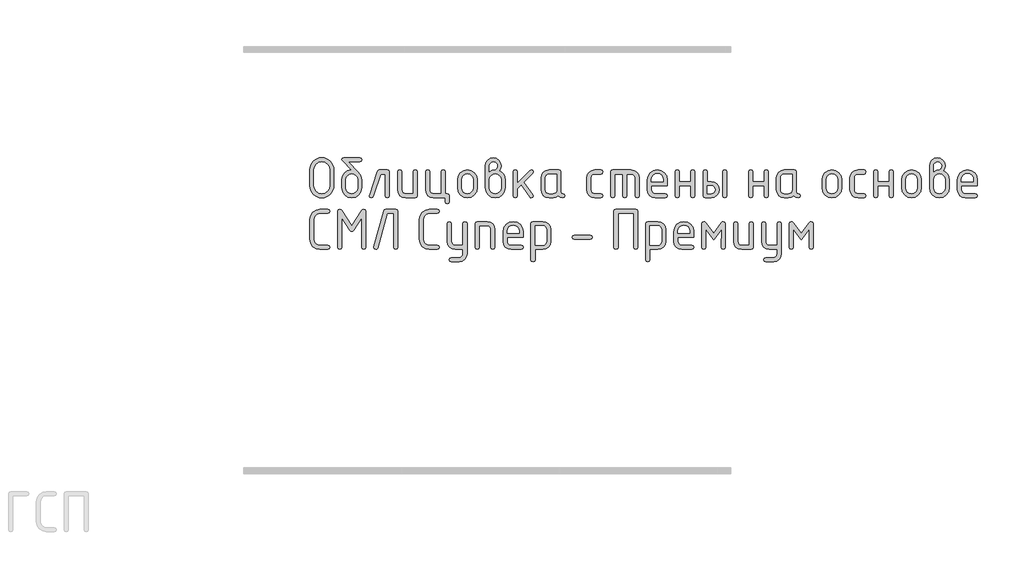
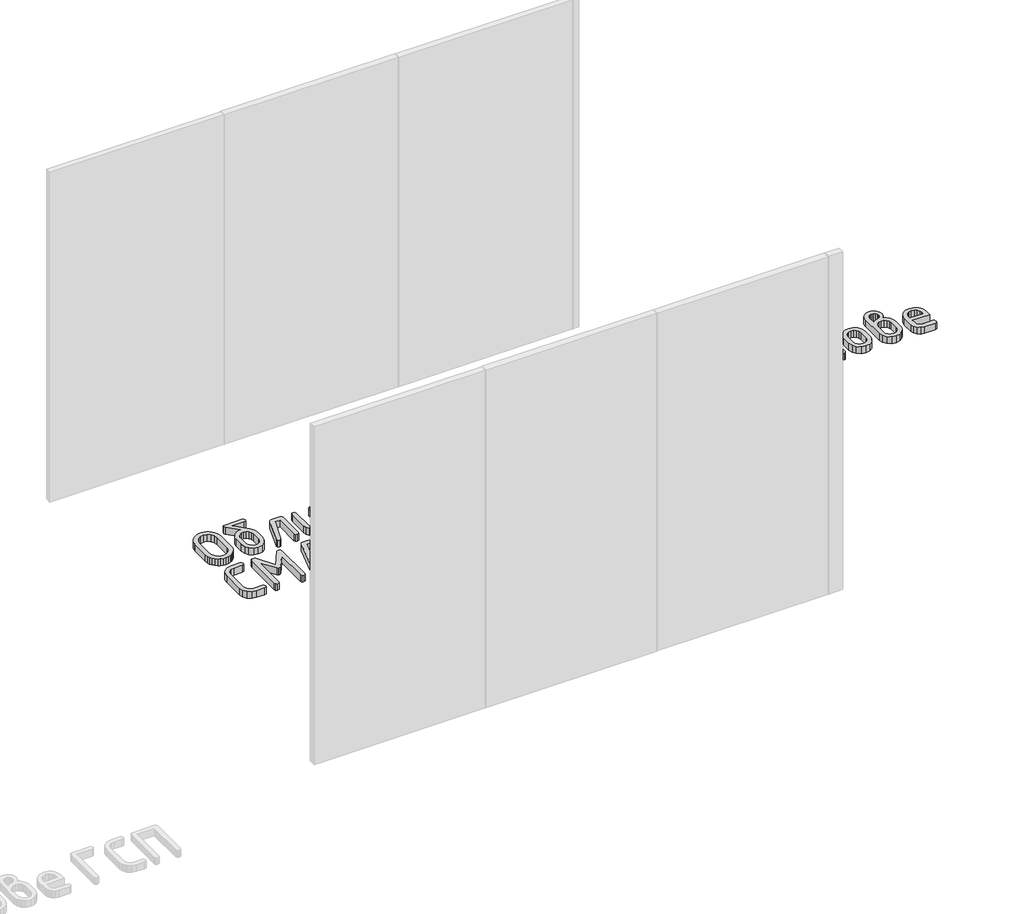
# One storey, part 28 of 33: 1 proxy.
"""IFC4 building model written with IfcOpenShell, lengths in millimetres."""

from ifc_helpers import new_model, si_unit, origin, origin_with_axes, place, context, project, spatial, polyline, outline, extrude, element, save

model = new_model("IFC4")

# Units and contexts
model_context = context("Model", 3, world=origin())
ifc_project = project(units=[si_unit("LENGTHUNIT", "METRE", prefix="MILLI")], contexts=[model_context])

# Site, building, storey
site = spatial("IfcSite", under=ifc_project)
building = spatial("IfcBuilding", under=site)
storey = spatial("IfcBuildingStorey", under=building, Elevation=0.0)

# Proxy
placement = place(None, origin())
element("IfcBuildingElementProxy", 1, Name="Generic Models", at=placement, inside=storey, context=model_context, shape_type="SweptSolid", body=[
    extrude(outline(polyline([(34959.1427691, 5302.2857956), (34957.4883732, 5284.0521341), (34952.5251857, 5267.2004984), (34944.2532065, 5251.7308885), (34932.6724356, 5237.6433044), (34918.7512999, 5225.9213046), (34903.4582261, 5217.5484476), (34886.7932143, 5212.5247334), (34868.7562645, 5210.850162), (34850.7193147, 5212.5247334), (34834.054303, 5217.5484476), (34818.7612292, 5225.9213046), (34804.8400935, 5237.6433044), (34793.2593226, 5251.7308885), (34784.9873434, 5267.2004984), (34780.0241558, 5284.0521341), (34778.36976, 5302.2857956), (34778.36976, 5424.1461722), (34780.0241558, 5442.3798337), (34784.9873434, 5459.2314694), (34793.2593226, 5474.7010793), (34804.8400935, 5488.7886634), (34818.7612292, 5500.5106632), (34834.054303, 5508.8835203), (34850.7193147, 5513.9072345), (34868.7562645, 5515.5818059), (34886.8915702, 5513.9148003), (34903.6095428, 5508.9137836), (34918.9101824, 5500.5787558), (34932.793489, 5488.9097168), (34944.321299, 5474.8599619), (34952.555449, 5459.3827861), (34957.4959391, 5442.4781896), (34959.1427691, 5424.1461722), (34959.1427691, 5302.2857956)]), holes=[polyline([(34928.1531104, 5302.5279023), (34928.1531104, 5423.9040655), (34923.8456285, 5447.4287674), (34910.923183, 5466.9990597), (34891.7664896, 5480.1938753), (34868.7562645, 5484.5921472), (34845.7460394, 5480.1938753), (34826.5893461, 5466.9990597), (34813.6669006, 5447.4287674), (34809.3594187, 5423.9040655), (34809.3594187, 5302.5279023), (34813.6669006, 5279.0032004), (34826.5893461, 5259.4329082), (34845.7460394, 5246.2380926), (34868.7562645, 5241.8398207), (34891.7664896, 5246.2380926), (34910.923183, 5259.4329082), (34923.8456285, 5279.0032004), (34928.1531104, 5302.5279023)])]), origin_with_axes(), (0.0, 0.0, 1.0), 50.0),
    extrude(outline(polyline([(35170.9054369, 5347.7211546), (35170.9054369, 5286.8716685), (35165.4277726, 5257.6473712), (35148.9947797, 5233.0836281), (35124.7941966, 5216.4085285), (35096.0137617, 5210.850162), (35067.2333267, 5216.4186163), (35043.0327436, 5233.1239792), (35026.5997508, 5257.7381612), (35021.1220865, 5287.033073), (35021.1220865, 5347.9632613), (35023.7146458, 5369.3947489), (35031.4923238, 5387.7696393), (35044.4551205, 5403.0879325), (35062.6030359, 5415.3496285), (35078.3197964, 5421.9470363), (35092.8663745, 5424.1461722), (35026.2870296, 5491.1290283), (35021.1220865, 5500.0869765), (35024.8545649, 5511.7080985), (35036.0520002, 5515.5818059), (35155.9755232, 5515.5818059), (35167.1729584, 5511.7080985), (35170.9054369, 5500.0869765), (35167.1729584, 5488.4658545), (35155.9755232, 5484.5921472), (35070.9960684, 5484.5921472), (35146.3719571, 5404.2127199), (35164.7720669, 5376.9353641), (35170.9054369, 5347.7211546)]), holes=[polyline([(35139.9157782, 5287.3558819), (35139.9157782, 5347.9632613), (35136.6977765, 5365.3949443), (35127.0437715, 5380.0827513), (35112.8502657, 5390.069653), (35096.0137617, 5393.3986203), (35079.1772576, 5390.069653), (35064.9837518, 5380.0827513), (35055.3297468, 5365.3949443), (35052.1117452, 5347.9632613), (35052.1117452, 5287.3558819), (35055.2994835, 5269.7627944), (35064.8626985, 5255.0749874), (35079.0259409, 5245.1486124), (35096.0137617, 5241.8398207), (35112.8502657, 5245.1687879), (35127.0437715, 5255.1556897), (35136.6977765, 5269.8636722), (35139.9157782, 5287.3558819)])]), origin_with_axes(), (0.0, 0.0, 1.0), 50.0),
    extrude(outline(polyline([(35306.243087, 5422.6128298), (35367.1732753, 5422.6128298), (35378.7943973, 5418.8400002), (35382.6681046, 5407.5215116), (35382.6681046, 5225.9414802), (35378.7943973, 5214.6229915), (35367.1732753, 5210.850162), (35355.5521533, 5214.6229915), (35351.6784459, 5225.9414802), (35351.6784459, 5391.6231711), (35317.0571866, 5391.6231711), (35259.9200034, 5221.099346), (35254.6138313, 5213.412458), (35245.6357076, 5210.850162), (35234.2566923, 5214.6835182), (35230.4636872, 5226.1835869), (35231.1900073, 5230.7836143), (35291.0710665, 5410.2653876), (35296.9623298, 5419.5259692), (35306.243087, 5422.6128298)])), origin_with_axes(), (0.0, 0.0, 1.0), 50.0),
    extrude(outline(polyline([(35594.4307724, 5407.5215116), (35594.4307724, 5225.9414802), (35590.6781184, 5214.6229915), (35579.4201565, 5210.850162), (35504.5284813, 5210.850162), (35481.3064128, 5215.2282583), (35461.9984028, 5228.3625472), (35448.9851672, 5247.8723128), (35444.647422, 5271.3768391), (35444.647422, 5407.5215116), (35448.5211294, 5418.8400002), (35460.1422514, 5422.6128298), (35471.7633734, 5418.8400002), (35475.6370807, 5407.5215116), (35475.6370807, 5271.9417548), (35477.7958655, 5260.5123006), (35484.27222, 5250.7574178), (35493.7547328, 5244.06922), (35504.9319925, 5241.8398207), (35563.4411137, 5241.8398207), (35563.4411137, 5407.5215116), (35567.314821, 5418.8400002), (35578.9359431, 5422.6128298), (35590.5570651, 5418.8400002), (35594.4307724, 5407.5215116)])), origin_with_axes(), (0.0, 0.0, 1.0), 50.0),
    extrude(outline(polyline([(35821.6882695, 5241.8398207), (35833.3093915, 5237.9661133), (35837.1830989, 5226.3449913), (35837.1830989, 5179.8605033), (35833.3093915, 5168.2393813), (35821.6882695, 5164.3656739), (35810.0671475, 5168.2393813), (35806.1934402, 5179.8605033), (35806.1934402, 5210.850162), (35716.2911491, 5210.850162), (35693.0690806, 5215.2585216), (35673.7610706, 5228.4836006), (35660.747835, 5248.0236295), (35656.4100898, 5271.3768391), (35656.4100898, 5407.5215116), (35660.2837971, 5418.8400002), (35671.9049192, 5422.6128298), (35683.5260412, 5418.8400002), (35687.3997485, 5407.5215116), (35687.3997485, 5271.9417548), (35689.5585333, 5260.5123006), (35696.0348878, 5250.7574178), (35705.5174005, 5244.06922), (35716.6946602, 5241.8398207), (35775.2037815, 5241.8398207), (35775.2037815, 5407.5215116), (35779.0774888, 5418.8400002), (35790.6986108, 5422.6128298), (35802.3197328, 5418.8400002), (35806.1934402, 5407.5215116), (35806.1934402, 5241.8398207), (35821.6882695, 5241.8398207)])), origin_with_axes(), (0.0, 0.0, 1.0), 50.0),
    extrude(outline(polyline([(35899.1624163, 5286.4681573), (35899.1624163, 5346.9948344), (35904.6400806, 5376.067815), (35921.0730734, 5400.500417), (35945.2736565, 5417.0847266), (35974.0540915, 5422.6128298), (36003.1371598, 5417.1452533), (36027.2772162, 5400.7425237), (36043.5286291, 5376.3704484), (36048.9457667, 5346.9948344), (36048.9457667, 5286.4681573), (36043.4681024, 5257.3951767), (36027.0351095, 5232.9625747), (36002.8345265, 5216.3782652), (35974.0540915, 5210.850162), (35945.2736565, 5216.3782652), (35921.0730734, 5232.9625747), (35904.6400806, 5257.3951767), (35899.1624163, 5286.4681573)]), holes=[polyline([(36017.956108, 5287.3558819), (36017.956108, 5347.9632613), (36014.7381063, 5365.3949443), (36005.0841013, 5380.0827513), (35990.8905955, 5390.069653), (35974.0540915, 5393.3986203), (35957.2175874, 5390.069653), (35943.0240817, 5380.0827513), (35933.3700766, 5365.3949443), (35930.152075, 5347.9632613), (35930.152075, 5287.3558819), (35933.3398133, 5269.7627944), (35942.9030283, 5255.0749874), (35957.0662708, 5245.1486124), (35974.0540915, 5241.8398207), (35990.8905955, 5245.1687879), (36005.0841013, 5255.1556897), (36014.7381063, 5269.8636722), (36017.956108, 5287.3558819)])]), origin_with_axes(), (0.0, 0.0, 1.0), 50.0),
    extrude(outline(polyline([(36215.7572889, 5417.9321001), (36234.2885399, 5406.542997), (36248.5627479, 5389.9687752), (36257.6720128, 5369.8840062), (36260.7084344, 5347.9632613), (36260.7084344, 5287.033073), (36255.2307702, 5257.5868445), (36238.7977773, 5233.0029258), (36214.5971942, 5216.3883529), (36185.8167592, 5210.850162), (36156.8850076, 5216.4186163), (36132.7146878, 5233.1239792), (36116.372485, 5257.7381612), (36110.9250841, 5287.033073), (36110.9250841, 5454.6516175), (36115.2527415, 5478.2570216), (36128.2357137, 5497.9080161), (36147.4125826, 5511.1633584), (36170.3219299, 5515.5818059), (36193.332155, 5511.1330951), (36212.4888483, 5497.7869628), (36225.4112939, 5478.1057049), (36229.7187757, 5454.6516175), (36226.228404, 5433.9313184), (36215.7572889, 5417.9321001)]), holes=[polyline([(36229.7187757, 5287.3558819), (36229.7187757, 5347.9632613), (36226.5310374, 5365.3949443), (36216.9678224, 5380.0827513), (36202.80458, 5390.069653), (36185.8167592, 5393.3986203), (36168.8289385, 5390.069653), (36154.6656961, 5380.0827513), (36145.1024811, 5365.3949443), (36141.9147428, 5347.9632613), (36141.9147428, 5287.3558819), (36145.1024811, 5269.7627944), (36154.6656961, 5255.0749874), (36168.8289385, 5245.1486124), (36185.8167592, 5241.8398207), (36202.80458, 5245.1687879), (36216.9678224, 5255.1556897), (36226.5310374, 5269.8636722), (36229.7187757, 5287.3558819)]), polyline([(36141.9147428, 5407.8443205), (36160.3955548, 5419.1628092), (36177.2623222, 5422.9356387), (36186.3413238, 5425.5786369), (36194.6940052, 5433.5076316), (36200.5650929, 5443.37348), (36202.5221221, 5453.2796795), (36200.3431618, 5465.0823816), (36193.8062806, 5474.8271766), (36184.04131, 5481.3640577), (36172.1780813, 5483.5430181), (36160.526696, 5481.3337944), (36150.7516376, 5474.7061232), (36144.1239665, 5464.9310649), (36141.9147428, 5453.2796795), (36141.9147428, 5407.8443205)])]), origin_with_axes(), (0.0, 0.0, 1.0), 50.0),
    extrude(outline(polyline([(36353.6774105, 5323.1876748), (36448.9060492, 5418.254909), (36459.7201489, 5422.6128298), (36471.0991642, 5418.8400002), (36474.8921693, 5407.5215116), (36470.2921418, 5396.9495186), (36403.712797, 5330.450876), (36471.9061866, 5234.6573217), (36474.8921693, 5225.7800757), (36471.0991642, 5214.5826404), (36459.7201489, 5210.850162), (36452.578001, 5212.4642067), (36447.1306, 5217.3063409), (36381.9231932, 5308.903379), (36353.6774105, 5280.6575963), (36353.6774105, 5226.0221824), (36349.8037032, 5214.6431671), (36338.1825812, 5210.850162), (36326.5614592, 5214.6229915), (36322.6877518, 5225.9414802), (36322.6877518, 5407.5215116), (36326.5614592, 5418.8400002), (36338.1825812, 5422.6128298), (36349.8037032, 5418.8400002), (36353.6774105, 5407.5215116), (36353.6774105, 5323.1876748)])), origin_with_axes(), (0.0, 0.0, 1.0), 50.0),
    extrude(outline(polyline([(36714.4971086, 5225.9414802), (36710.724279, 5214.6229915), (36699.4057904, 5210.850162), (36680.2591849, 5214.8650982), (36664.9459355, 5226.909907), (36646.5256501, 5214.8650982), (36624.3527107, 5210.850162), (36594.3314789, 5210.850162), (36571.1094104, 5215.2282583), (36551.8014004, 5228.3625472), (36538.7881648, 5247.8723128), (36534.4504196, 5271.3768391), (36534.4504196, 5362.0861526), (36538.7881648, 5385.5906789), (36551.8014004, 5405.1004445), (36571.1094104, 5418.2347334), (36594.3314789, 5422.6128298), (36669.2231541, 5422.6128298), (36680.481116, 5418.8400002), (36684.23377, 5407.5215116), (36684.23377, 5256.2048187), (36688.0166873, 5244.8863301), (36699.3654393, 5241.1135006), (36710.7141912, 5237.3204955), (36714.4971086, 5225.9414802)]), holes=[polyline([(36653.2441113, 5391.6231711), (36594.73499, 5391.6231711), (36583.4568525, 5389.4341229), (36573.9945153, 5382.8669784), (36567.5786876, 5373.1927979), (36565.4400783, 5361.6826414), (36565.4400783, 5271.7803503), (36567.5988631, 5260.3710717), (36574.0752176, 5250.6767155), (36583.5577303, 5244.0490444), (36594.73499, 5241.8398207), (36623.9491996, 5241.8398207), (36635.2273371, 5244.0288688), (36644.6896743, 5250.5960133), (36651.105502, 5260.2701939), (36653.2441113, 5271.7803503), (36653.2441113, 5391.6231711)])]), origin_with_axes(), (0.0, 0.0, 1.0), 50.0),
    extrude(outline(polyline([(36911.4912671, 5361.6826414), (36911.4912671, 5271.7803503), (36913.7307542, 5260.3710717), (36920.4492153, 5250.6767155), (36930.254537, 5244.0490444), (36941.7546057, 5241.8398207), (36987.2706669, 5241.8398207), (36998.5891555, 5237.9661133), (37002.3619851, 5226.3449913), (36998.5891555, 5214.7238693), (36987.2706669, 5210.850162), (36941.7546057, 5210.850162), (36918.2097283, 5215.2282583), (36898.4175049, 5228.3625472), (36884.9805825, 5247.8723128), (36880.5016084, 5271.3768391), (36880.5016084, 5362.0861526), (36884.9805825, 5385.5906789), (36898.4175049, 5405.1004445), (36918.2097283, 5418.2347334), (36941.7546057, 5422.6128298), (36987.2706669, 5422.6128298), (36998.5891555, 5418.7391224), (37002.3619851, 5407.1180004), (36998.5891555, 5395.4968784), (36987.2706669, 5391.6231711), (36941.7546057, 5391.6231711), (36930.1032203, 5389.4341229), (36920.328162, 5382.8669784), (36913.7004908, 5373.1927979), (36911.4912671, 5361.6826414)])), origin_with_axes(), (0.0, 0.0, 1.0), 50.0),
    extrude(outline(polyline([(37076.7694468, 5422.6128298), (37216.222911, 5422.6128298), (37240.1107729, 5418.2044701), (37260.1249275, 5404.9793911), (37273.6829032, 5385.4393622), (37278.2022284, 5362.0861526), (37278.2022284, 5225.9414802), (37274.328521, 5214.6229915), (37262.707399, 5210.850162), (37251.086277, 5214.6229915), (37247.2125697, 5225.9414802), (37247.2125697, 5361.521237), (37244.9831704, 5373.2533245), (37238.2949726, 5382.9476807), (37228.3181586, 5389.4542985), (37216.222911, 5391.6231711), (37185.2332523, 5391.6231711), (37185.2332523, 5225.9414802), (37181.359545, 5214.6229915), (37169.7384229, 5210.850162), (37158.1173009, 5214.6229915), (37154.2435936, 5225.9414802), (37154.2435936, 5391.6231711), (37092.2642762, 5391.6231711), (37092.2642762, 5225.9414802), (37088.3905689, 5214.6229915), (37076.7694468, 5210.850162), (37065.1483248, 5214.6229915), (37061.2746175, 5225.9414802), (37061.2746175, 5407.5215116), (37065.1483248, 5418.8400002), (37076.7694468, 5422.6128298)])), origin_with_axes(), (0.0, 0.0, 1.0), 50.0),
    extrude(outline(polyline([(37371.1712045, 5303.8191381), (37371.1712045, 5272.8294794), (37373.4106915, 5261.0368651), (37380.1291527, 5250.9995245), (37389.9344744, 5244.1297466), (37401.4345431, 5241.8398207), (37477.2139428, 5241.8398207), (37488.5929581, 5237.9661133), (37492.3859632, 5226.3449913), (37488.5929581, 5214.7238693), (37477.2139428, 5210.850162), (37401.4345431, 5210.850162), (37377.8896656, 5215.2282583), (37358.0974422, 5228.3625472), (37344.6605199, 5247.8723128), (37340.1815458, 5271.3768391), (37340.1815458, 5346.9948344), (37345.800439, 5376.067815), (37362.6571186, 5400.500417), (37387.3822662, 5417.0847266), (37416.6065635, 5422.6128298), (37446.0527919, 5417.2461311), (37470.4753061, 5401.1460349), (37486.908299, 5377.2178219), (37492.3859632, 5348.3667725), (37492.3859632, 5303.8191381), (37371.1712045, 5303.8191381)]), holes=[polyline([(37416.6065635, 5395.4161762), (37399.1748804, 5392.0872089), (37384.4870735, 5382.1003072), (37374.5001717, 5367.4125002), (37371.1712045, 5349.9808172), (37371.1712045, 5334.8087968), (37462.0419224, 5334.8087968), (37462.0419224, 5349.9808172), (37458.7129552, 5367.4125002), (37448.7260535, 5382.1003072), (37434.0382465, 5392.0872089), (37416.6065635, 5395.4161762)])]), origin_with_axes(), (0.0, 0.0, 1.0), 50.0),
    extrude(outline(polyline([(37582.9338723, 5303.8191381), (37582.9338723, 5226.3449913), (37579.0601649, 5214.7238693), (37567.4390429, 5210.850162), (37555.8179209, 5214.6229915), (37551.9442136, 5225.9414802), (37551.9442136, 5407.5215116), (37555.8179209, 5418.8400002), (37567.4390429, 5422.6128298), (37579.0601649, 5418.9610536), (37582.9338723, 5408.005725), (37582.9338723, 5334.8087968), (37670.7379052, 5334.8087968), (37670.7379052, 5408.005725), (37674.6116126, 5418.9610536), (37686.2327346, 5422.6128298), (37697.8538566, 5418.8400002), (37701.7275639, 5407.5215116), (37701.7275639, 5225.9414802), (37697.8538566, 5214.6229915), (37686.2327346, 5210.850162), (37674.6116126, 5214.7238693), (37670.7379052, 5226.3449913), (37670.7379052, 5303.8191381), (37582.9338723, 5303.8191381)])), origin_with_axes(), (0.0, 0.0, 1.0), 50.0),
    extrude(outline(polyline([(37913.4902317, 5407.5215116), (37917.3639391, 5418.8400002), (37928.9850611, 5422.6128298), (37940.6061831, 5418.8400002), (37944.4798904, 5407.5215116), (37944.4798904, 5225.9414802), (37940.6061831, 5214.6229915), (37928.9850611, 5210.850162), (37917.3639391, 5214.6229915), (37913.4902317, 5225.9414802), (37913.4902317, 5407.5215116)])), origin_with_axes(), (0.0, 0.0, 1.0), 50.0),
    extrude(outline(polyline([(37885.567258, 5272.8294794), (37881.1790739, 5248.7903008), (37868.0145216, 5228.8064095), (37848.4744927, 5215.3392239), (37824.9598786, 5210.850162), (37779.2017107, 5210.850162), (37767.5805887, 5214.6229915), (37763.7068813, 5225.9414802), (37763.7068813, 5407.5215116), (37767.5805887, 5418.8400002), (37779.2017107, 5422.6128298), (37790.8228327, 5418.9610536), (37794.69654, 5408.005725), (37794.69654, 5334.8087968), (37824.9598786, 5334.8087968), (37848.4744927, 5330.3197349), (37868.0145216, 5316.8525492), (37881.1790739, 5296.868658), (37885.567258, 5272.8294794)]), holes=[polyline([(37855.3039194, 5272.8294794), (37853.124959, 5284.924727), (37846.5880779, 5294.901541), (37836.8231073, 5301.5897388), (37824.9598786, 5303.8191381), (37794.69654, 5303.8191381), (37794.69654, 5241.8398207), (37824.9598786, 5241.8398207), (37836.6717906, 5244.0994833), (37846.4670246, 5250.8784711), (37853.0946957, 5260.8855484), (37855.3039194, 5272.8294794)])]), origin_with_axes(), (0.0, 0.0, 1.0), 50.0),
    extrude(outline(polyline([(38140.7477288, 5303.8191381), (38140.7477288, 5226.3449913), (38136.8740215, 5214.7238693), (38125.2528995, 5210.850162), (38113.6317775, 5214.6229915), (38109.7580701, 5225.9414802), (38109.7580701, 5407.5215116), (38113.6317775, 5418.8400002), (38125.2528995, 5422.6128298), (38136.8740215, 5418.9610536), (38140.7477288, 5408.005725), (38140.7477288, 5334.8087968), (38228.5517618, 5334.8087968), (38228.5517618, 5408.005725), (38232.4254692, 5418.9610536), (38244.0465912, 5422.6128298), (38255.6677132, 5418.8400002), (38259.5414205, 5407.5215116), (38259.5414205, 5225.9414802), (38255.6677132, 5214.6229915), (38244.0465912, 5210.850162), (38232.4254692, 5214.7238693), (38228.5517618, 5226.3449913), (38228.5517618, 5303.8191381), (38140.7477288, 5303.8191381)])), origin_with_axes(), (0.0, 0.0, 1.0), 50.0),
    extrude(outline(polyline([(38501.5674269, 5225.9414802), (38497.7945973, 5214.6229915), (38486.4761087, 5210.850162), (38467.3295032, 5214.8650982), (38452.0162538, 5226.909907), (38433.5959684, 5214.8650982), (38411.423029, 5210.850162), (38381.4017972, 5210.850162), (38358.1797287, 5215.2282583), (38338.8717187, 5228.3625472), (38325.8584831, 5247.8723128), (38321.5207379, 5271.3768391), (38321.5207379, 5362.0861526), (38325.8584831, 5385.5906789), (38338.8717187, 5405.1004445), (38358.1797287, 5418.2347334), (38381.4017972, 5422.6128298), (38456.2934724, 5422.6128298), (38467.5514343, 5418.8400002), (38471.3040883, 5407.5215116), (38471.3040883, 5256.2048187), (38475.0870056, 5244.8863301), (38486.4357576, 5241.1135006), (38497.7845095, 5237.3204955), (38501.5674269, 5225.9414802)]), holes=[polyline([(38440.3144296, 5391.6231711), (38381.8053084, 5391.6231711), (38370.5271708, 5389.4341229), (38361.0648337, 5382.8669784), (38354.6490059, 5373.1927979), (38352.5103966, 5361.6826414), (38352.5103966, 5271.7803503), (38354.6691814, 5260.3710717), (38361.1455359, 5250.6767155), (38370.6280486, 5244.0490444), (38381.8053084, 5241.8398207), (38411.0195179, 5241.8398207), (38422.2976554, 5244.0288688), (38431.7599926, 5250.5960133), (38438.1758203, 5260.2701939), (38440.3144296, 5271.7803503), (38440.3144296, 5391.6231711)])]), origin_with_axes(), (0.0, 0.0, 1.0), 50.0),
    extrude(outline(polyline([(38667.5719267, 5286.4681573), (38667.5719267, 5346.9948344), (38673.049591, 5376.067815), (38689.4825839, 5400.500417), (38713.6831669, 5417.0847266), (38742.4636019, 5422.6128298), (38771.5466703, 5417.1452533), (38795.6867267, 5400.7425237), (38811.9381395, 5376.3704484), (38817.3552771, 5346.9948344), (38817.3552771, 5286.4681573), (38811.8776128, 5257.3951767), (38795.44462, 5232.9625747), (38771.2440369, 5216.3782652), (38742.4636019, 5210.850162), (38713.6831669, 5216.3782652), (38689.4825839, 5232.9625747), (38673.049591, 5257.3951767), (38667.5719267, 5286.4681573)]), holes=[polyline([(38786.3656184, 5287.3558819), (38786.3656184, 5347.9632613), (38783.1476167, 5365.3949443), (38773.4936117, 5380.0827513), (38759.3001059, 5390.069653), (38742.4636019, 5393.3986203), (38725.6270979, 5390.069653), (38711.4335921, 5380.0827513), (38701.7795871, 5365.3949443), (38698.5615854, 5347.9632613), (38698.5615854, 5287.3558819), (38701.7493238, 5269.7627944), (38711.3125387, 5255.0749874), (38725.4757812, 5245.1486124), (38742.4636019, 5241.8398207), (38759.3001059, 5245.1687879), (38773.4936117, 5255.1556897), (38783.1476167, 5269.8636722), (38786.3656184, 5287.3558819)])]), origin_with_axes(), (0.0, 0.0, 1.0), 50.0),
    extrude(outline(polyline([(38910.3242532, 5361.6826414), (38910.3242532, 5271.7803503), (38912.5637403, 5260.3710717), (38919.2822014, 5250.6767155), (38929.0875231, 5244.0490444), (38940.5875918, 5241.8398207), (38986.103653, 5241.8398207), (38997.4221416, 5237.9661133), (39001.1949712, 5226.3449913), (38997.4221416, 5214.7238693), (38986.103653, 5210.850162), (38940.5875918, 5210.850162), (38917.0427144, 5215.2282583), (38897.2504909, 5228.3625472), (38883.8135686, 5247.8723128), (38879.3345945, 5271.3768391), (38879.3345945, 5362.0861526), (38883.8135686, 5385.5906789), (38897.2504909, 5405.1004445), (38917.0427144, 5418.2347334), (38940.5875918, 5422.6128298), (38986.103653, 5422.6128298), (38997.4221416, 5418.7391224), (39001.1949712, 5407.1180004), (38997.4221416, 5395.4968784), (38986.103653, 5391.6231711), (38940.5875918, 5391.6231711), (38928.9362064, 5389.4341229), (38919.1611481, 5382.8669784), (38912.5334769, 5373.1927979), (38910.3242532, 5361.6826414)])), origin_with_axes(), (0.0, 0.0, 1.0), 50.0),
    extrude(outline(polyline([(39091.0972623, 5303.8191381), (39091.0972623, 5226.3449913), (39087.2235549, 5214.7238693), (39075.6024329, 5210.850162), (39063.9813109, 5214.6229915), (39060.1076036, 5225.9414802), (39060.1076036, 5407.5215116), (39063.9813109, 5418.8400002), (39075.6024329, 5422.6128298), (39087.2235549, 5418.9610536), (39091.0972623, 5408.005725), (39091.0972623, 5334.8087968), (39178.9012953, 5334.8087968), (39178.9012953, 5408.005725), (39182.7750026, 5418.9610536), (39194.3961246, 5422.6128298), (39206.0172466, 5418.8400002), (39209.890954, 5407.5215116), (39209.890954, 5225.9414802), (39206.0172466, 5214.6229915), (39194.3961246, 5210.850162), (39182.7750026, 5214.7238693), (39178.9012953, 5226.3449913), (39178.9012953, 5303.8191381), (39091.0972623, 5303.8191381)])), origin_with_axes(), (0.0, 0.0, 1.0), 50.0),
    extrude(outline(polyline([(39271.8702714, 5286.4681573), (39271.8702714, 5346.9948344), (39277.3479356, 5376.067815), (39293.7809285, 5400.500417), (39317.9815116, 5417.0847266), (39346.7619465, 5422.6128298), (39375.8450149, 5417.1452533), (39399.9850713, 5400.7425237), (39416.2364841, 5376.3704484), (39421.6536217, 5346.9948344), (39421.6536217, 5286.4681573), (39416.1759575, 5257.3951767), (39399.7429646, 5232.9625747), (39375.5423815, 5216.3782652), (39346.7619465, 5210.850162), (39317.9815116, 5216.3782652), (39293.7809285, 5232.9625747), (39277.3479356, 5257.3951767), (39271.8702714, 5286.4681573)]), holes=[polyline([(39390.663963, 5287.3558819), (39390.663963, 5347.9632613), (39387.4459614, 5365.3949443), (39377.7919564, 5380.0827513), (39363.5984506, 5390.069653), (39346.7619465, 5393.3986203), (39329.9254425, 5390.069653), (39315.7319367, 5380.0827513), (39306.0779317, 5365.3949443), (39302.8599301, 5347.9632613), (39302.8599301, 5287.3558819), (39306.0476684, 5269.7627944), (39315.6108834, 5255.0749874), (39329.7741258, 5245.1486124), (39346.7619465, 5241.8398207), (39363.5984506, 5245.1687879), (39377.7919564, 5255.1556897), (39387.4459614, 5269.8636722), (39390.663963, 5287.3558819)])]), origin_with_axes(), (0.0, 0.0, 1.0), 50.0),
    extrude(outline(polyline([(39588.4651439, 5417.9321001), (39606.9963949, 5406.542997), (39621.270603, 5389.9687752), (39630.3798679, 5369.8840062), (39633.4162895, 5347.9632613), (39633.4162895, 5287.033073), (39627.9386252, 5257.5868445), (39611.5056324, 5233.0029258), (39587.3050493, 5216.3883529), (39558.5246143, 5210.850162), (39529.5928626, 5216.4186163), (39505.4225429, 5233.1239792), (39489.0803401, 5257.7381612), (39483.6329391, 5287.033073), (39483.6329391, 5454.6516175), (39487.9605965, 5478.2570216), (39500.9435688, 5497.9080161), (39520.1204377, 5511.1633584), (39543.029785, 5515.5818059), (39566.0400101, 5511.1330951), (39585.1967034, 5497.7869628), (39598.119149, 5478.1057049), (39602.4266308, 5454.6516175), (39598.9362591, 5433.9313184), (39588.4651439, 5417.9321001)]), holes=[polyline([(39514.6225978, 5407.8443205), (39533.1034099, 5419.1628092), (39549.9701773, 5422.9356387), (39559.0491789, 5425.5786369), (39567.4018603, 5433.5076316), (39573.272948, 5443.37348), (39575.2299772, 5453.2796795), (39573.0510168, 5465.0823816), (39566.5141357, 5474.8271766), (39556.7491651, 5481.3640577), (39544.8859364, 5483.5430181), (39533.2345511, 5481.3337944), (39523.4594927, 5474.7061232), (39516.8318215, 5464.9310649), (39514.6225978, 5453.2796795), (39514.6225978, 5407.8443205)]), polyline([(39602.4266308, 5287.3558819), (39602.4266308, 5347.9632613), (39599.2388925, 5365.3949443), (39589.6756775, 5380.0827513), (39575.512435, 5390.069653), (39558.5246143, 5393.3986203), (39541.5367936, 5390.069653), (39527.3735511, 5380.0827513), (39517.8103362, 5365.3949443), (39514.6225978, 5347.9632613), (39514.6225978, 5287.3558819), (39517.8103362, 5269.7627944), (39527.3735511, 5255.0749874), (39541.5367936, 5245.1486124), (39558.5246143, 5241.8398207), (39575.512435, 5245.1687879), (39589.6756775, 5255.1556897), (39599.2388925, 5269.8636722), (39602.4266308, 5287.3558819)])]), origin_with_axes(), (0.0, 0.0, 1.0), 50.0),
    extrude(outline(polyline([(39726.3852656, 5303.8191381), (39726.3852656, 5272.8294794), (39728.6247527, 5261.0368651), (39735.3432138, 5250.9995245), (39745.1485355, 5244.1297466), (39756.6486042, 5241.8398207), (39832.428004, 5241.8398207), (39843.8070193, 5237.9661133), (39847.6000244, 5226.3449913), (39843.8070193, 5214.7238693), (39832.428004, 5210.850162), (39756.6486042, 5210.850162), (39733.1037268, 5215.2282583), (39713.3115033, 5228.3625472), (39699.874581, 5247.8723128), (39695.3956069, 5271.3768391), (39695.3956069, 5346.9948344), (39701.0145001, 5376.067815), (39717.8711797, 5400.500417), (39742.5963273, 5417.0847266), (39771.8206246, 5422.6128298), (39801.266853, 5417.2461311), (39825.6893672, 5401.1460349), (39842.1223601, 5377.2178219), (39847.6000244, 5348.3667725), (39847.6000244, 5303.8191381), (39726.3852656, 5303.8191381)]), holes=[polyline([(39771.8206246, 5395.4161762), (39754.3889416, 5392.0872089), (39739.7011346, 5382.1003072), (39729.7142328, 5367.4125002), (39726.3852656, 5349.9808172), (39726.3852656, 5334.8087968), (39817.2559836, 5334.8087968), (39817.2559836, 5349.9808172), (39813.9270163, 5367.4125002), (39803.9401146, 5382.1003072), (39789.2523076, 5392.0872089), (39771.8206246, 5395.4161762)])]), origin_with_axes(), (0.0, 0.0, 1.0), 50.0),
    extrude(outline(polyline([(34915.4021571, 5123.5333147), (34926.7811724, 5119.6596073), (34930.5741775, 5108.0384853), (34926.7811724, 5096.4173633), (34915.4021571, 5092.543656), (34854.7947777, 5092.543656), (34831.9156937, 5086.914675), (34815.5734909, 5070.0277321), (34810.9129367, 5058.9917013), (34809.3594187, 5047.0275948), (34809.3594187, 4895.3073907), (34812.6883859, 4877.815181), (34822.6752877, 4863.1071985), (34837.3630947, 4853.1202967), (34854.7947777, 4849.7913295), (34915.4021571, 4849.7913295), (34926.7811724, 4845.9176222), (34930.5741775, 4834.2965001), (34926.7811724, 4822.6753781), (34915.4021571, 4818.8016708), (34854.7947777, 4818.8016708), (34825.5704804, 4824.3701251), (34800.8453328, 4841.075488), (34783.9886532, 4865.68967), (34778.36976, 4894.9845818), (34778.36976, 5047.3504037), (34783.9886532, 5076.6453154), (34800.8453328, 5101.2594975), (34825.5704804, 5117.9648604), (34854.7947777, 5123.5333147), (34915.4021571, 5123.5333147)])), origin_with_axes(), (0.0, 0.0, 1.0), 50.0),
    extrude(outline(polyline([(35185.1090304, 5123.5333147), (35197.6985793, 5119.720134), (35201.8950956, 5108.280592), (35201.8950956, 4834.0543934), (35198.0213882, 4822.6148515), (35186.4002662, 4818.8016708), (35174.7791442, 4822.6148515), (35170.9054369, 4834.0543934), (35170.9054369, 5058.1645034), (35109.8945463, 4965.5990384), (35103.3576652, 4958.7595239), (35096.0137617, 4956.4796857), (35088.5488048, 4958.7595239), (35081.9715726, 4965.5990384), (35021.1220865, 5058.1645034), (35021.1220865, 4834.0543934), (35017.2483791, 4822.6148515), (35005.6272571, 4818.8016708), (34994.0061351, 4822.6148515), (34990.1324278, 4834.0543934), (34990.1324278, 5108.280592), (34994.2482418, 5119.720134), (35006.595684, 5123.5333147), (35014.7466098, 5121.6368121), (35021.1220865, 5115.9473045), (35095.771655, 4998.8483597), (35170.9054369, 5116.8350291), (35176.8774023, 5121.8587433), (35185.1090304, 5123.5333147)])), origin_with_axes(), (0.0, 0.0, 1.0), 50.0),
    extrude(outline(polyline([(35352.5661705, 5123.5333147), (35429.1525927, 5123.5333147), (35440.7737147, 5119.720134), (35444.647422, 5108.280592), (35444.647422, 4834.0543934), (35440.7737147, 4822.6148515), (35429.1525927, 4818.8016708), (35417.5314707, 4822.5946759), (35413.6577633, 4833.9736912), (35413.6577633, 5092.543656), (35364.5101015, 5092.543656), (35291.7166844, 4829.3736637), (35286.612268, 4821.444669), (35277.2709842, 4818.8016708), (35265.8919689, 4822.6148515), (35262.0989638, 4834.0543934), (35263.3094973, 4839.5421455), (35337.3941501, 5108.280592), (35343.2854134, 5119.720134), (35352.5661705, 5123.5333147)])), origin_with_axes(), (0.0, 0.0, 1.0), 50.0),
    extrude(outline(polyline([(35746.9579988, 5123.5333147), (35758.3370141, 5119.6596073), (35762.1300192, 5108.0384853), (35758.3370141, 5096.4173633), (35746.9579988, 5092.543656), (35686.3506194, 5092.543656), (35663.4715355, 5086.914675), (35647.1293326, 5070.0277321), (35642.4687785, 5058.9917013), (35640.9152605, 5047.0275948), (35640.9152605, 4895.3073907), (35644.2442277, 4877.815181), (35654.2311294, 4863.1071985), (35668.9189364, 4853.1202967), (35686.3506194, 4849.7913295), (35746.9579988, 4849.7913295), (35758.3370141, 4845.9176222), (35762.1300192, 4834.2965001), (35758.3370141, 4822.6753781), (35746.9579988, 4818.8016708), (35686.3506194, 4818.8016708), (35657.1263222, 4824.3701251), (35632.4011745, 4841.075488), (35615.544495, 4865.68967), (35609.9256018, 4894.9845818), (35609.9256018, 5047.3504037), (35615.544495, 5076.6453154), (35632.4011745, 5101.2594975), (35657.1263222, 5117.9648604), (35686.3506194, 5123.5333147), (35746.9579988, 5123.5333147)])), origin_with_axes(), (0.0, 0.0, 1.0), 50.0),
    extrude(outline(polyline([(35940.4819612, 4787.3277987), (35940.4819612, 4818.8016708), (35881.0851154, 4818.8016708), (35858.0748903, 4823.2100304), (35838.918197, 4836.4351094), (35825.9957514, 4855.9751383), (35821.6882695, 4879.3283479), (35821.6882695, 5015.4730204), (35825.5619769, 5026.791509), (35837.1830989, 5030.5643386), (35848.8042209, 5026.791509), (35852.6779282, 5015.4730204), (35852.6779282, 4879.8932636), (35854.836713, 4868.4638094), (35861.3130675, 4858.7089266), (35870.7955803, 4852.0207288), (35881.97284, 4849.7913295), (35940.4819612, 4849.7913295), (35940.4819612, 5015.4730204), (35944.3556685, 5026.791509), (35955.9767906, 5030.5643386), (35967.5979126, 5026.7511579), (35971.4716199, 5015.3116159), (35971.4716199, 4786.762883), (35967.2246647, 4763.3087956), (35954.4837992, 4743.6275378), (35935.549037, 4730.2814055), (35912.720392, 4725.8326947), (35852.6779282, 4725.8326947), (35841.2989129, 4729.706402), (35837.5059078, 4741.327524), (35842.1059353, 4752.1416237), (35852.6779282, 4756.8223534), (35911.1870495, 4756.8223534), (35922.6165037, 4758.991226), (35932.0485775, 4765.4978438), (35938.3736153, 4775.2930777), (35940.4819612, 4787.3277987)])), origin_with_axes(), (0.0, 0.0, 1.0), 50.0),
    extrude(outline(polyline([(36033.4509373, 4833.892989), (36033.4509373, 5015.4730204), (36037.2035913, 5026.791509), (36048.4615532, 5030.5643386), (36123.3532284, 5030.5643386), (36146.4239802, 5026.1559789), (36165.7622536, 5012.9309), (36178.8662792, 4993.390871), (36183.2342877, 4970.0376614), (36183.2342877, 4833.892989), (36179.3605804, 4822.5745003), (36167.7394583, 4818.8016708), (36156.1183363, 4822.5745003), (36152.244629, 4833.892989), (36152.244629, 4969.4727458), (36150.1362831, 4981.2048334), (36143.8112453, 4990.8991895), (36134.3791715, 4997.4058073), (36122.9497172, 4999.5746799), (36064.440596, 4999.5746799), (36064.440596, 4833.892989), (36060.5668887, 4822.5745003), (36048.9457667, 4818.8016708), (36037.3246446, 4822.5745003), (36033.4509373, 4833.892989)])), origin_with_axes(), (0.0, 0.0, 1.0), 50.0),
    extrude(outline(polyline([(36276.2032638, 4911.7706469), (36276.2032638, 4880.7809882), (36278.4427508, 4868.9883739), (36285.161212, 4858.9510333), (36294.9665337, 4852.0812554), (36306.4666024, 4849.7913295), (36382.2460021, 4849.7913295), (36393.6250174, 4845.9176222), (36397.4180225, 4834.2965001), (36393.6250174, 4822.6753781), (36382.2460021, 4818.8016708), (36306.4666024, 4818.8016708), (36282.9217249, 4823.1797671), (36263.1295015, 4836.3140561), (36249.6925792, 4855.8238217), (36245.2136051, 4879.3283479), (36245.2136051, 4954.9463433), (36250.8324983, 4984.0193238), (36267.6891779, 5008.4519259), (36292.4143255, 5025.0362354), (36321.6386228, 5030.5643386), (36351.0848512, 5025.1976399), (36375.5073654, 5009.0975437), (36391.9403583, 4985.1693307), (36397.4180225, 4956.3182813), (36397.4180225, 4911.7706469), (36276.2032638, 4911.7706469)]), holes=[polyline([(36321.6386228, 5003.367685), (36304.2069397, 5000.0387177), (36289.5191328, 4990.051816), (36279.532231, 4975.364009), (36276.2032638, 4957.932326), (36276.2032638, 4942.7603056), (36367.0739817, 4942.7603056), (36367.0739817, 4957.932326), (36363.7450145, 4975.364009), (36353.7581128, 4990.051816), (36339.0703058, 5000.0387177), (36321.6386228, 5003.367685)])]), origin_with_axes(), (0.0, 0.0, 1.0), 50.0),
    extrude(outline(polyline([(36456.9762729, 5015.3116159), (36460.7289268, 5026.7511579), (36471.9868888, 5030.5643386), (36546.878564, 5030.5643386), (36570.1006324, 5026.1862423), (36589.4086425, 5013.0519533), (36602.421878, 4993.5421877), (36606.7596232, 4970.0376614), (36606.7596232, 4879.3283479), (36602.4521414, 4855.9751383), (36589.5296958, 4836.4351094), (36570.3730025, 4823.2100304), (36547.3627774, 4818.8016708), (36487.9659316, 4818.8016708), (36487.9659316, 4741.327524), (36484.0922242, 4729.706402), (36472.4711022, 4725.8326947), (36460.8499802, 4729.6458754), (36456.9762729, 4741.0854173), (36456.9762729, 5015.3116159)]), holes=[polyline([(36487.9659316, 4999.5746799), (36487.9659316, 4849.7913295), (36546.4750528, 4849.7913295), (36557.7531903, 4851.9803777), (36567.2155275, 4858.5475221), (36573.6313553, 4868.2217027), (36575.7699645, 4879.7318591), (36575.7699645, 4969.6341502), (36573.6616186, 4981.2956234), (36567.3365809, 4990.9395406), (36557.904507, 4997.4158951), (36546.4750528, 4999.5746799), (36487.9659316, 4999.5746799)])]), origin_with_axes(), (0.0, 0.0, 1.0), 50.0),
    extrude(outline(polyline([(36907.698262, 4896.2758175), (36786.4835032, 4896.2758175), (36775.1044879, 4900.1495249), (36771.3114828, 4911.7706469), (36775.1044879, 4923.3917689), (36786.4835032, 4927.2654762), (36907.698262, 4927.2654762), (36919.0772773, 4923.3917689), (36922.8702824, 4911.7706469), (36919.0772773, 4900.1495249), (36907.698262, 4896.2758175)])), origin_with_axes(), (0.0, 0.0, 1.0), 50.0),
    extrude(outline(polyline([(37102.1906512, 5123.5333147), (37252.781024, 5123.5333147), (37264.0995126, 5119.720134), (37267.8723422, 5108.280592), (37267.8723422, 4834.0543934), (37263.9986348, 4822.6148515), (37252.3775128, 4818.8016708), (37240.7563908, 4822.5946759), (37236.8826835, 4833.9736912), (37236.8826835, 5092.543656), (37118.0889918, 5092.543656), (37118.0889918, 4833.9736912), (37114.2152844, 4822.5946759), (37102.5941624, 4818.8016708), (37090.9730404, 4822.6148515), (37087.0993331, 4834.0543934), (37087.0993331, 5108.280592), (37090.8721626, 5119.720134), (37102.1906512, 5123.5333147)])), origin_with_axes(), (0.0, 0.0, 1.0), 50.0),
    extrude(outline(polyline([(37329.8516596, 5015.3116159), (37333.6043135, 5026.7511579), (37344.8622755, 5030.5643386), (37419.7539507, 5030.5643386), (37442.9760191, 5026.1862423), (37462.2840291, 5013.0519533), (37475.2972647, 4993.5421877), (37479.6350099, 4970.0376614), (37479.6350099, 4879.3283479), (37475.3275281, 4855.9751383), (37462.4050825, 4836.4351094), (37443.2483892, 4823.2100304), (37420.2381641, 4818.8016708), (37360.8413182, 4818.8016708), (37360.8413182, 4741.327524), (37356.9676109, 4729.706402), (37345.3464889, 4725.8326947), (37333.7253669, 4729.6458754), (37329.8516596, 4741.0854173), (37329.8516596, 5015.3116159)]), holes=[polyline([(37360.8413182, 4999.5746799), (37360.8413182, 4849.7913295), (37419.3504395, 4849.7913295), (37430.628577, 4851.9803777), (37440.0909142, 4858.5475221), (37446.506742, 4868.2217027), (37448.6453512, 4879.7318591), (37448.6453512, 4969.6341502), (37446.5370053, 4981.2956234), (37440.2119675, 4990.9395406), (37430.7798937, 4997.4158951), (37419.3504395, 4999.5746799), (37360.8413182, 4999.5746799)])]), origin_with_axes(), (0.0, 0.0, 1.0), 50.0),
    extrude(outline(polyline([(37572.603986, 4911.7706469), (37572.603986, 4880.7809882), (37574.8434731, 4868.9883739), (37581.5619342, 4858.9510333), (37591.3672559, 4852.0812554), (37602.8673246, 4849.7913295), (37678.6467244, 4849.7913295), (37690.0257397, 4845.9176222), (37693.8187448, 4834.2965001), (37690.0257397, 4822.6753781), (37678.6467244, 4818.8016708), (37602.8673246, 4818.8016708), (37579.3224472, 4823.1797671), (37559.5302238, 4836.3140561), (37546.0933014, 4855.8238217), (37541.6143273, 4879.3283479), (37541.6143273, 4954.9463433), (37547.2332205, 4984.0193238), (37564.0899001, 5008.4519259), (37588.8150477, 5025.0362354), (37618.039345, 5030.5643386), (37647.4855734, 5025.1976399), (37671.9080877, 5009.0975437), (37688.3410805, 4985.1693307), (37693.8187448, 4956.3182813), (37693.8187448, 4911.7706469), (37572.603986, 4911.7706469)]), holes=[polyline([(37618.039345, 5003.367685), (37600.607662, 5000.0387177), (37585.919855, 4990.051816), (37575.9329533, 4975.364009), (37572.603986, 4957.932326), (37572.603986, 4942.7603056), (37663.474704, 4942.7603056), (37663.474704, 4957.932326), (37660.1457367, 4975.364009), (37650.158835, 4990.051816), (37635.471028, 5000.0387177), (37618.039345, 5003.367685)])]), origin_with_axes(), (0.0, 0.0, 1.0), 50.0),
    extrude(outline(polyline([(37844.2477131, 4894.3389639), (37784.3666538, 4971.8938129), (37784.3666538, 4833.892989), (37780.4929465, 4822.5745003), (37768.8718245, 4818.8016708), (37757.2507024, 4822.5745003), (37753.3769951, 4833.892989), (37753.3769951, 5015.4730204), (37757.2507024, 5026.791509), (37768.8718245, 5030.5643386), (37776.6192391, 5028.163447), (37784.3666538, 5020.9607725), (37843.7634996, 4943.3252212), (37903.1603455, 5020.9607725), (37910.9077602, 5028.163447), (37918.6551748, 5030.5643386), (37930.2762968, 5026.791509), (37934.1500042, 5015.4730204), (37934.1500042, 4833.892989), (37930.2762968, 4822.5745003), (37918.6551748, 4818.8016708), (37907.0340528, 4822.5745003), (37903.1603455, 4833.892989), (37904.0480701, 4971.8938129), (37844.2477131, 4894.3389639)])), origin_with_axes(), (0.0, 0.0, 1.0), 50.0),
    extrude(outline(polyline([(38145.912672, 5015.4730204), (38145.912672, 4833.892989), (38142.160018, 4822.5745003), (38130.902056, 4818.8016708), (38056.0103808, 4818.8016708), (38032.7883124, 4823.1797671), (38013.4803024, 4836.3140561), (38000.4670668, 4855.8238217), (37996.1293216, 4879.3283479), (37996.1293216, 5015.4730204), (38000.0030289, 5026.791509), (38011.6241509, 5030.5643386), (38023.2452729, 5026.791509), (38027.1189803, 5015.4730204), (38027.1189803, 4879.8932636), (38029.2777651, 4868.4638094), (38035.7541196, 4858.7089266), (38045.2366323, 4852.0207288), (38056.413892, 4849.7913295), (38114.9230133, 4849.7913295), (38114.9230133, 5015.4730204), (38118.7967206, 5026.791509), (38130.4178426, 5030.5643386), (38142.0389646, 5026.791509), (38145.912672, 5015.4730204)])), origin_with_axes(), (0.0, 0.0, 1.0), 50.0),
    extrude(outline(polyline([(38326.685681, 4787.3277987), (38326.685681, 4818.8016708), (38267.2888352, 4818.8016708), (38244.2786101, 4823.2100304), (38225.1219168, 4836.4351094), (38212.1994712, 4855.9751383), (38207.8919894, 4879.3283479), (38207.8919894, 5015.4730204), (38211.7656967, 5026.791509), (38223.3868187, 5030.5643386), (38235.0079407, 5026.791509), (38238.8816481, 5015.4730204), (38238.8816481, 4879.8932636), (38241.0404329, 4868.4638094), (38247.5167873, 4858.7089266), (38256.9993001, 4852.0207288), (38268.1765598, 4849.7913295), (38326.685681, 4849.7913295), (38326.685681, 5015.4730204), (38330.5593884, 5026.791509), (38342.1805104, 5030.5643386), (38353.8016324, 5026.7511579), (38357.6753397, 5015.3116159), (38357.6753397, 4786.762883), (38353.4283846, 4763.3087956), (38340.687519, 4743.6275378), (38321.7527568, 4730.2814055), (38298.9241118, 4725.8326947), (38238.8816481, 4725.8326947), (38227.5026328, 4729.706402), (38223.7096276, 4741.327524), (38228.3096551, 4752.1416237), (38238.8816481, 4756.8223534), (38297.3907693, 4756.8223534), (38308.8202235, 4758.991226), (38318.2522974, 4765.4978438), (38324.5773351, 4775.2930777), (38326.685681, 4787.3277987)])), origin_with_axes(), (0.0, 0.0, 1.0), 50.0),
    extrude(outline(polyline([(38510.5253751, 4894.3389639), (38450.6443158, 4971.8938129), (38450.6443158, 4833.892989), (38446.7706085, 4822.5745003), (38435.1494865, 4818.8016708), (38423.5283645, 4822.5745003), (38419.6546571, 4833.892989), (38419.6546571, 5015.4730204), (38423.5283645, 5026.791509), (38435.1494865, 5030.5643386), (38442.8969012, 5028.163447), (38450.6443158, 5020.9607725), (38510.0411617, 4943.3252212), (38569.4380075, 5020.9607725), (38577.1854222, 5028.163447), (38584.9328369, 5030.5643386), (38596.5539589, 5026.791509), (38600.4276662, 5015.4730204), (38600.4276662, 4833.892989), (38596.5539589, 4822.5745003), (38584.9328369, 4818.8016708), (38573.3117148, 4822.5745003), (38569.4380075, 4833.892989), (38570.3257321, 4971.8938129), (38510.5253751, 4894.3389639)])), origin_with_axes(), (0.0, 0.0, 1.0), 50.0),
])

save(model, "model.ifc")
